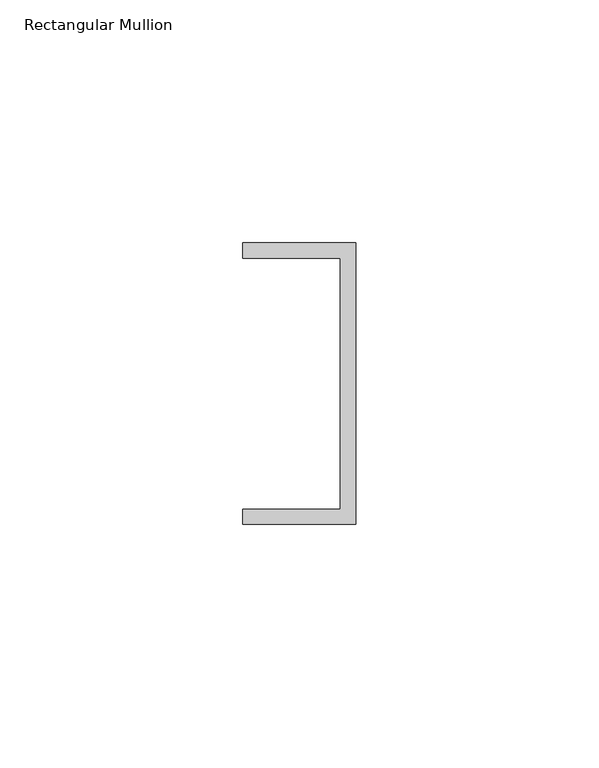
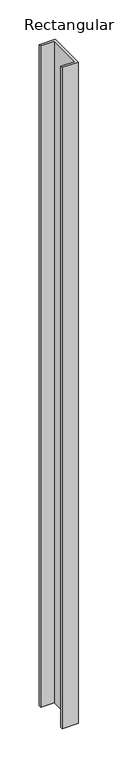
"""IFC4 building model written with IfcOpenShell, lengths in millimetres: member geometry, Rectangular Mullion."""

from ifc_helpers import new_model, si_unit, frame, origin, place, context, project, spatial, polyline, outline, extrude, source, transform, mapped, element, save


def rectangular_mullion_8e80d384(model_context):
    return source(origin(), model_context, "Body", "SweptSolid", [
        extrude(outline(polyline([(0.0, 29.0214844), (0.0, -29.0214844), (-23.3164063, -29.0214844), (-23.3164063, -25.8464844), (-3.175, -25.8464844), (-3.175, 25.8464844), (-23.3164063, 25.8464844), (-23.3164063, 29.0214844), (0.0, 29.0214844)])), frame((0.0, 0.0, -1024.8304688), z_axis=(0.0, 0.0, 1.0), x_axis=(1.0, 0.0, 0.0)), (0.0, 0.0, 1.0), 1024.8304687),
    ])


if __name__ == "__main__":
    model = new_model("IFC4")
    model_context = context("Model", 3, world=origin())
    ifc_project = project(units=[si_unit("LENGTHUNIT", "METRE", prefix="MILLI")], contexts=[model_context])
    site = spatial("IfcSite", under=ifc_project)
    building = spatial("IfcBuilding", under=site)
    placement = place(None, origin())
    rectangular_mullion_shape = rectangular_mullion_8e80d384(model_context)
    element("IfcMember", 1, ObjectType="Rectangular Mullion", at=placement, inside=building, context=model_context, shape_type="MappedRepresentation", body=[
        mapped(rectangular_mullion_shape, transform((0.0, 0.0, 0.0), x_axis=(1.0, 0.0, 0.0), y_axis=(0.0, 1.0, 0.0), z_axis=(0.0, 0.0, 1.0))),
    ])
    save(model, "model.ifc")
